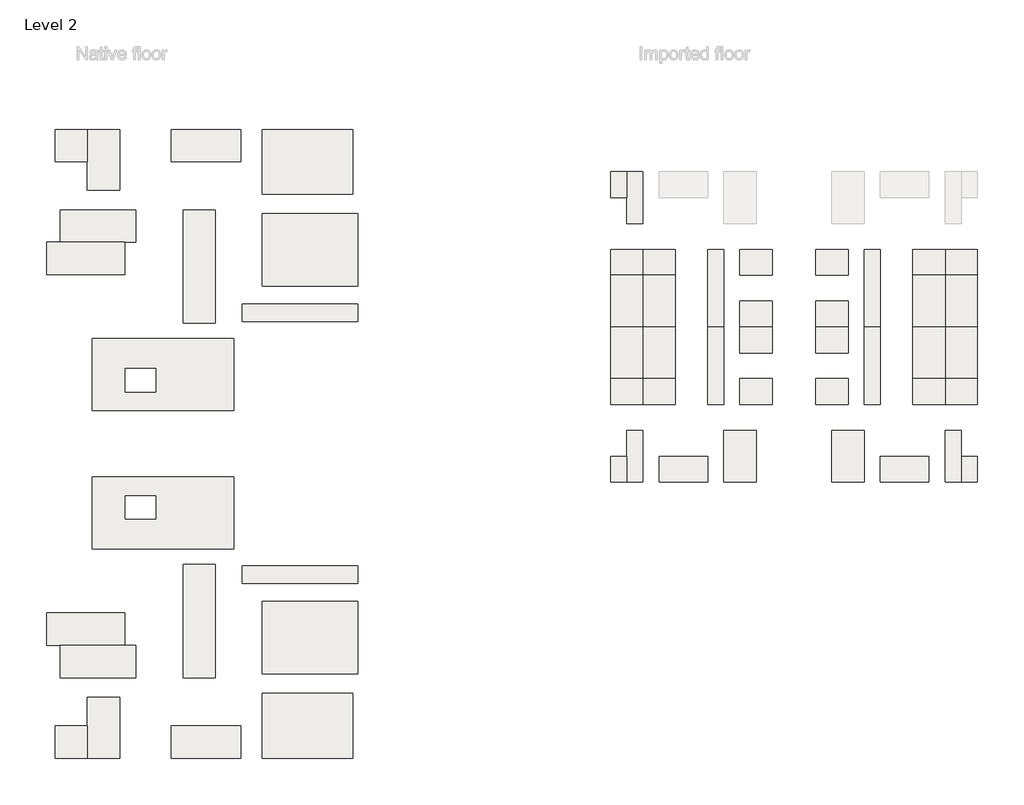
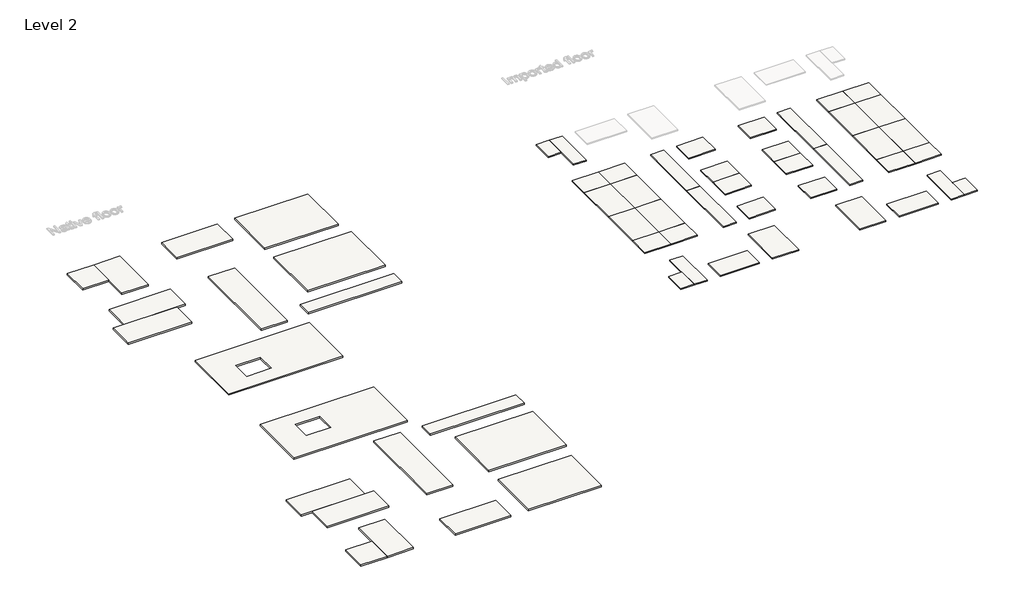
# One storey, part 1 of 3: 58 slabs.
"""IFC4 building model written with IfcOpenShell, lengths in millimetres."""

from ifc_helpers import new_model, si_unit, frame, origin, place, context, project, spatial, polyline, outline, extrude, faceted_brep, element, save

model = new_model("IFC4")

# Units and contexts
model_context = context("Model", 3, world=origin())
ifc_project = project(units=[si_unit("LENGTHUNIT", "METRE", prefix="MILLI")], contexts=[model_context])

# Site, building, storey
site = spatial("IfcSite", under=ifc_project)
building = spatial("IfcBuilding", under=site)
storey = spatial("IfcBuildingStorey", under=building, Name="Level 2", Elevation=3000.0)

# Slabs
placement = place(None, origin())
element("IfcSlab", 1, ObjectType="200mm Conc25 RC_SLAB", at=placement, inside=storey, context=model_context, shape_type="SweptSolid", body=[
    extrude(outline(polyline([(539421.9483934, 4611.8410567), (536921.9483934, 4611.8410567), (536921.9483934, 8611.8410567), (539421.9483934, 8611.8410567), (539421.9483934, 4611.8410567)])), frame((0.0, 0.0, 2800.0), z_axis=(0.0, 0.0, 1.0), x_axis=(1.0, 0.0, 0.0)), (0.0, 0.0, 1.0), 200.0),
])
element("IfcSlab", 2, ObjectType="200mm Conc25 RC_SLAB", at=placement, inside=storey, context=model_context, shape_type="Brep", body=[
    faceted_brep([(541921.9483934, 611.8410567, 2800.0), (539421.9483934, 611.8410567, 2800.0), (539421.9483934, 4611.8410567, 2800.0), (539421.9483934, 8611.8410567, 2800.0), (541921.9483934, 8611.8410567, 2800.0), (541921.9483934, 611.8410567, 3000.0), (541921.9483934, 8611.8410567, 3000.0), (539421.9483934, 8611.8410567, 3000.0), (539421.9483934, 4611.8410567, 3000.0), (539421.9483934, 611.8410567, 3000.0)], [[[0, 1, 2, 3, 4]], [[5, 6, 7, 8, 9]], [[1, 0, 5, 9]], [[3, 2, 1, 9, 8, 7]], [[4, 3, 7, 6]], [[0, 4, 6, 5]]]),
])
element("IfcSlab", 3, ObjectType="200mm Conc25 RC_SLAB", at=placement, inside=storey, context=model_context, shape_type="SweptSolid", body=[
    extrude(outline(polyline([(541921.9483934, -7388.1589433), (536921.9483934, -7388.1589433), (536921.9483934, -3388.1589433), (541921.9483934, -3388.1589433), (541921.9483934, -7388.1589433)])), frame((0.0, 0.0, 2800.0), z_axis=(0.0, 0.0, 1.0), x_axis=(1.0, 0.0, 0.0)), (0.0, 0.0, 1.0), 200.0),
])
element("IfcSlab", 4, ObjectType="200mm Conc25 RC_SLAB", at=placement, inside=storey, context=model_context, shape_type="SweptSolid", body=[
    extrude(outline(polyline([(546921.9483934, -7388.1589433), (541921.9483934, -7388.1589433), (541921.9483934, -3388.1589433), (546921.9483934, -3388.1589433), (546921.9483934, -7388.1589433)])), frame((0.0, 0.0, 2800.0), z_axis=(0.0, 0.0, 1.0), x_axis=(1.0, 0.0, 0.0)), (0.0, 0.0, 1.0), 200.0),
])
element("IfcSlab", 5, ObjectType="200mm Conc25 RC_SLAB", at=placement, inside=storey, context=model_context, shape_type="SweptSolid", body=[
    extrude(outline(polyline([(541921.9483934, -15388.1589433), (541921.9483934, -7388.1589433), (546921.9483934, -7388.1589433), (546921.9483934, -15388.1589433), (541921.9483934, -15388.1589433)])), frame((0.0, 0.0, 2800.0), z_axis=(0.0, 0.0, 1.0), x_axis=(1.0, 0.0, 0.0)), (0.0, 0.0, 1.0), 200.0),
])
element("IfcSlab", 6, ObjectType="200mm Conc25 RC_SLAB", at=placement, inside=storey, context=model_context, shape_type="SweptSolid", body=[
    extrude(outline(polyline([(541921.9483934, -15388.1589433), (536921.9483934, -15388.1589433), (536921.9483934, -7388.1589433), (541921.9483934, -7388.1589433), (541921.9483934, -15388.1589433)])), frame((0.0, 0.0, 2800.0), z_axis=(0.0, 0.0, 1.0), x_axis=(1.0, 0.0, 0.0)), (0.0, 0.0, 1.0), 200.0),
])
element("IfcSlab", 7, ObjectType="200mm Conc25 RC_SLAB", at=placement, inside=storey, context=model_context, shape_type="SweptSolid", body=[
    extrude(outline(polyline([(554421.9483934, -15388.1589433), (551921.9483934, -15388.1589433), (551921.9483934, -3388.1589433), (554421.9483934, -3388.1589433), (554421.9483934, -15388.1589433)])), frame((0.0, 0.0, 2800.0), z_axis=(0.0, 0.0, 1.0), x_axis=(1.0, 0.0, 0.0)), (0.0, 0.0, 1.0), 200.0),
])
element("IfcSlab", 8, ObjectType="200mm Conc25 RC_SLAB", at=placement, inside=storey, context=model_context, shape_type="SweptSolid", body=[
    extrude(outline(polyline([(561921.9483934, -7388.1589433), (556921.9483934, -7388.1589433), (556921.9483934, -3388.1589433), (561921.9483934, -3388.1589433), (561921.9483934, -7388.1589433)])), frame((0.0, 0.0, 2800.0), z_axis=(0.0, 0.0, 1.0), x_axis=(1.0, 0.0, 0.0)), (0.0, 0.0, 1.0), 200.0),
])
element("IfcSlab", 9, ObjectType="200mm Conc25 RC_SLAB", at=placement, inside=storey, context=model_context, shape_type="SweptSolid", body=[
    extrude(outline(polyline([(561921.9483934, -15388.1589433), (556921.9483934, -15388.1589433), (556921.9483934, -11388.1589433), (561921.9483934, -11388.1589433), (561921.9483934, -15388.1589433)])), frame((0.0, 0.0, 2800.0), z_axis=(0.0, 0.0, 1.0), x_axis=(1.0, 0.0, 0.0)), (0.0, 0.0, 1.0), 200.0),
])
element("IfcSlab", 10, ObjectType="200mm Conc25 RC_SLAB", at=placement, inside=storey, context=model_context, shape_type="SweptSolid", body=[
    extrude(outline(polyline([(588636.3880595, -7388.1589433), (588636.3880595, -3388.1589433), (593636.3880595, -3388.1589433), (593636.3880595, -7388.1589433), (588636.3880595, -7388.1589433)])), frame((0.0, 0.0, 2800.0), z_axis=(0.0, 0.0, 1.0), x_axis=(1.0, 0.0, 0.0)), (0.0, 0.0, 1.0), 200.0),
])
element("IfcSlab", 11, ObjectType="200mm Conc25 RC_SLAB", at=placement, inside=storey, context=model_context, shape_type="SweptSolid", body=[
    extrude(outline(polyline([(583636.3880595, -7388.1589433), (583636.3880595, -3388.1589433), (588636.3880595, -3388.1589433), (588636.3880595, -7388.1589433), (583636.3880595, -7388.1589433)])), frame((0.0, 0.0, 2800.0), z_axis=(0.0, 0.0, 1.0), x_axis=(1.0, 0.0, 0.0)), (0.0, 0.0, 1.0), 200.0),
])
element("IfcSlab", 12, ObjectType="200mm Conc25 RC_SLAB", at=placement, inside=storey, context=model_context, shape_type="SweptSolid", body=[
    extrude(outline(polyline([(588636.3880595, -15388.1589433), (583636.3880595, -15388.1589433), (583636.3880595, -7388.1589433), (588636.3880595, -7388.1589433), (588636.3880595, -15388.1589433)])), frame((0.0, 0.0, 2800.0), z_axis=(0.0, 0.0, 1.0), x_axis=(1.0, 0.0, 0.0)), (0.0, 0.0, 1.0), 200.0),
])
element("IfcSlab", 13, ObjectType="200mm Conc25 RC_SLAB", at=placement, inside=storey, context=model_context, shape_type="SweptSolid", body=[
    extrude(outline(polyline([(588636.3880595, -15388.1589433), (588636.3880595, -7388.1589433), (593636.3880595, -7388.1589433), (593636.3880595, -15388.1589433), (588636.3880595, -15388.1589433)])), frame((0.0, 0.0, 2800.0), z_axis=(0.0, 0.0, 1.0), x_axis=(1.0, 0.0, 0.0)), (0.0, 0.0, 1.0), 200.0),
])
element("IfcSlab", 14, ObjectType="200mm Conc25 RC_SLAB", at=placement, inside=storey, context=model_context, shape_type="SweptSolid", body=[
    extrude(outline(polyline([(576136.3880595, -15388.1589433), (576136.3880595, -3388.1589433), (578636.3880595, -3388.1589433), (578636.3880595, -15388.1589433), (576136.3880595, -15388.1589433)])), frame((0.0, 0.0, 2800.0), z_axis=(0.0, 0.0, 1.0), x_axis=(1.0, 0.0, 0.0)), (0.0, 0.0, 1.0), 200.0),
])
element("IfcSlab", 15, ObjectType="200mm Conc25 RC_SLAB", at=placement, inside=storey, context=model_context, shape_type="SweptSolid", body=[
    extrude(outline(polyline([(568636.3880595, -7388.1589433), (568636.3880595, -3388.1589433), (573636.3880595, -3388.1589433), (573636.3880595, -7388.1589433), (568636.3880595, -7388.1589433)])), frame((0.0, 0.0, 2800.0), z_axis=(0.0, 0.0, 1.0), x_axis=(1.0, 0.0, 0.0)), (0.0, 0.0, 1.0), 200.0),
])
element("IfcSlab", 16, ObjectType="200mm Conc25 RC_SLAB", at=placement, inside=storey, context=model_context, shape_type="SweptSolid", body=[
    extrude(outline(polyline([(568636.3880595, -15388.1589433), (568636.3880595, -11388.1589433), (573636.3880595, -11388.1589433), (573636.3880595, -15388.1589433), (568636.3880595, -15388.1589433)])), frame((0.0, 0.0, 2800.0), z_axis=(0.0, 0.0, 1.0), x_axis=(1.0, 0.0, 0.0)), (0.0, 0.0, 1.0), 200.0),
])
element("IfcSlab", 17, ObjectType="200mm Conc25 RC_SLAB", at=placement, inside=storey, context=model_context, shape_type="SweptSolid", body=[
    extrude(outline(polyline([(539421.9483934, -35388.1589433), (539421.9483934, -39388.1589433), (536921.9483934, -39388.1589433), (536921.9483934, -35388.1589433), (539421.9483934, -35388.1589433)])), frame((0.0, 0.0, 2800.0), z_axis=(0.0, 0.0, 1.0), x_axis=(1.0, 0.0, 0.0)), (0.0, 0.0, 1.0), 200.0),
])
element("IfcSlab", 18, ObjectType="200mm Conc25 RC_SLAB", at=placement, inside=storey, context=model_context, shape_type="Brep", body=[
    faceted_brep([(541921.9483934, -31388.1589433, 2800.0), (541921.9483934, -39388.1589433, 2800.0), (539421.9483934, -39388.1589433, 2800.0), (539421.9483934, -35388.1589433, 2800.0), (539421.9483934, -31388.1589433, 2800.0), (541921.9483934, -31388.1589433, 3000.0), (539421.9483934, -31388.1589433, 3000.0), (539421.9483934, -35388.1589433, 3000.0), (539421.9483934, -39388.1589433, 3000.0), (541921.9483934, -39388.1589433, 3000.0)], [[[0, 1, 2, 3, 4]], [[5, 6, 7, 8, 9]], [[0, 4, 6, 5]], [[4, 3, 2, 8, 7, 6]], [[2, 1, 9, 8]], [[1, 0, 5, 9]]]),
])
element("IfcSlab", 19, ObjectType="200mm Conc25 RC_SLAB", at=placement, inside=storey, context=model_context, shape_type="SweptSolid", body=[
    extrude(outline(polyline([(551921.9483934, -35388.1589433), (551921.9483934, -39388.1589433), (544421.9483934, -39388.1589433), (544421.9483934, -35388.1589433), (551921.9483934, -35388.1589433)])), frame((0.0, 0.0, 2800.0), z_axis=(0.0, 0.0, 1.0), x_axis=(1.0, 0.0, 0.0)), (0.0, 0.0, 1.0), 200.0),
])
element("IfcSlab", 20, ObjectType="200mm Conc25 RC_SLAB", at=placement, inside=storey, context=model_context, shape_type="SweptSolid", body=[
    extrude(outline(polyline([(554421.9483934, -31388.1589433), (559421.9483934, -31388.1589433), (559421.9483934, -39388.1589433), (554421.9483934, -39388.1589433), (554421.9483934, -31388.1589433)])), frame((0.0, 0.0, 2800.0), z_axis=(0.0, 0.0, 1.0), x_axis=(1.0, 0.0, 0.0)), (0.0, 0.0, 1.0), 200.0),
])
element("IfcSlab", 21, ObjectType="200mm Conc25 RC_SLAB", at=placement, inside=storey, context=model_context, shape_type="SweptSolid", body=[
    extrude(outline(polyline([(541921.9483934, -23388.1589433), (541921.9483934, -27388.1589433), (536921.9483934, -27388.1589433), (536921.9483934, -23388.1589433), (541921.9483934, -23388.1589433)])), frame((0.0, 0.0, 2800.0), z_axis=(0.0, 0.0, 1.0), x_axis=(1.0, 0.0, 0.0)), (0.0, 0.0, 1.0), 200.0),
])
element("IfcSlab", 22, ObjectType="200mm Conc25 RC_SLAB", at=placement, inside=storey, context=model_context, shape_type="SweptSolid", body=[
    extrude(outline(polyline([(546921.9483934, -23388.1589433), (546921.9483934, -27388.1589433), (541921.9483934, -27388.1589433), (541921.9483934, -23388.1589433), (546921.9483934, -23388.1589433)])), frame((0.0, 0.0, 2800.0), z_axis=(0.0, 0.0, 1.0), x_axis=(1.0, 0.0, 0.0)), (0.0, 0.0, 1.0), 200.0),
])
element("IfcSlab", 23, ObjectType="200mm Conc25 RC_SLAB", at=placement, inside=storey, context=model_context, shape_type="SweptSolid", body=[
    extrude(outline(polyline([(541921.9483934, -15388.1589433), (546921.9483934, -15388.1589433), (546921.9483934, -23388.1589433), (541921.9483934, -23388.1589433), (541921.9483934, -15388.1589433)])), frame((0.0, 0.0, 2800.0), z_axis=(0.0, 0.0, 1.0), x_axis=(1.0, 0.0, 0.0)), (0.0, 0.0, 1.0), 200.0),
])
element("IfcSlab", 24, ObjectType="200mm Conc25 RC_SLAB", at=placement, inside=storey, context=model_context, shape_type="SweptSolid", body=[
    extrude(outline(polyline([(541921.9483934, -15388.1589433), (541921.9483934, -23388.1589433), (536921.9483934, -23388.1589433), (536921.9483934, -15388.1589433), (541921.9483934, -15388.1589433)])), frame((0.0, 0.0, 2800.0), z_axis=(0.0, 0.0, 1.0), x_axis=(1.0, 0.0, 0.0)), (0.0, 0.0, 1.0), 200.0),
])
element("IfcSlab", 25, ObjectType="200mm Conc25 RC_SLAB", at=placement, inside=storey, context=model_context, shape_type="SweptSolid", body=[
    extrude(outline(polyline([(554421.9483934, -15388.1589433), (554421.9483934, -27388.1589433), (551921.9483934, -27388.1589433), (551921.9483934, -15388.1589433), (554421.9483934, -15388.1589433)])), frame((0.0, 0.0, 2800.0), z_axis=(0.0, 0.0, 1.0), x_axis=(1.0, 0.0, 0.0)), (0.0, 0.0, 1.0), 200.0),
])
element("IfcSlab", 26, ObjectType="200mm Conc25 RC_SLAB", at=placement, inside=storey, context=model_context, shape_type="SweptSolid", body=[
    extrude(outline(polyline([(561921.9483934, -23388.1589433), (561921.9483934, -27388.1589433), (556921.9483934, -27388.1589433), (556921.9483934, -23388.1589433), (561921.9483934, -23388.1589433)])), frame((0.0, 0.0, 2800.0), z_axis=(0.0, 0.0, 1.0), x_axis=(1.0, 0.0, 0.0)), (0.0, 0.0, 1.0), 200.0),
])
element("IfcSlab", 27, ObjectType="200mm Conc25 RC_SLAB", at=placement, inside=storey, context=model_context, shape_type="SweptSolid", body=[
    extrude(outline(polyline([(561921.9483934, -15388.1589433), (561921.9483934, -19388.1589433), (556921.9483934, -19388.1589433), (556921.9483934, -15388.1589433), (561921.9483934, -15388.1589433)])), frame((0.0, 0.0, 2800.0), z_axis=(0.0, 0.0, 1.0), x_axis=(1.0, 0.0, 0.0)), (0.0, 0.0, 1.0), 200.0),
])
element("IfcSlab", 28, ObjectType="200mm Conc25 RC_SLAB", at=placement, inside=storey, context=model_context, shape_type="SweptSolid", body=[
    extrude(outline(polyline([(591136.3880595, -35388.1589433), (593636.3880595, -35388.1589433), (593636.3880595, -39388.1589433), (591136.3880595, -39388.1589433), (591136.3880595, -35388.1589433)])), frame((0.0, 0.0, 2800.0), z_axis=(0.0, 0.0, 1.0), x_axis=(1.0, 0.0, 0.0)), (0.0, 0.0, 1.0), 200.0),
])
element("IfcSlab", 29, ObjectType="200mm Conc25 RC_SLAB", at=placement, inside=storey, context=model_context, shape_type="Brep", body=[
    faceted_brep([(588636.3880595, -31388.1589433, 2800.0), (591136.3880595, -31388.1589433, 2800.0), (591136.3880595, -35388.1589433, 2800.0), (591136.3880595, -39388.1589433, 2800.0), (588636.3880595, -39388.1589433, 2800.0), (588636.3880595, -31388.1589433, 3000.0), (588636.3880595, -39388.1589433, 3000.0), (591136.3880595, -39388.1589433, 3000.0), (591136.3880595, -35388.1589433, 3000.0), (591136.3880595, -31388.1589433, 3000.0)], [[[0, 1, 2, 3, 4]], [[5, 6, 7, 8, 9]], [[1, 0, 5, 9]], [[3, 2, 1, 9, 8, 7]], [[4, 3, 7, 6]], [[0, 4, 6, 5]]]),
])
element("IfcSlab", 30, ObjectType="200mm Conc25 RC_SLAB", at=placement, inside=storey, context=model_context, shape_type="SweptSolid", body=[
    extrude(outline(polyline([(578636.3880595, -35388.1589433), (586136.3880595, -35388.1589433), (586136.3880595, -39388.1589433), (578636.3880595, -39388.1589433), (578636.3880595, -35388.1589433)])), frame((0.0, 0.0, 2800.0), z_axis=(0.0, 0.0, 1.0), x_axis=(1.0, 0.0, 0.0)), (0.0, 0.0, 1.0), 200.0),
])
element("IfcSlab", 31, ObjectType="200mm Conc25 RC_SLAB", at=placement, inside=storey, context=model_context, shape_type="SweptSolid", body=[
    extrude(outline(polyline([(576136.3880595, -31388.1589433), (576136.3880595, -39388.1589433), (571136.3880595, -39388.1589433), (571136.3880595, -31388.1589433), (576136.3880595, -31388.1589433)])), frame((0.0, 0.0, 2800.0), z_axis=(0.0, 0.0, 1.0), x_axis=(1.0, 0.0, 0.0)), (0.0, 0.0, 1.0), 200.0),
])
element("IfcSlab", 32, ObjectType="200mm Conc25 RC_SLAB", at=placement, inside=storey, context=model_context, shape_type="SweptSolid", body=[
    extrude(outline(polyline([(588636.3880595, -23388.1589433), (593636.3880595, -23388.1589433), (593636.3880595, -27388.1589433), (588636.3880595, -27388.1589433), (588636.3880595, -23388.1589433)])), frame((0.0, 0.0, 2800.0), z_axis=(0.0, 0.0, 1.0), x_axis=(1.0, 0.0, 0.0)), (0.0, 0.0, 1.0), 200.0),
])
element("IfcSlab", 33, ObjectType="200mm Conc25 RC_SLAB", at=placement, inside=storey, context=model_context, shape_type="SweptSolid", body=[
    extrude(outline(polyline([(583636.3880595, -23388.1589433), (588636.3880595, -23388.1589433), (588636.3880595, -27388.1589433), (583636.3880595, -27388.1589433), (583636.3880595, -23388.1589433)])), frame((0.0, 0.0, 2800.0), z_axis=(0.0, 0.0, 1.0), x_axis=(1.0, 0.0, 0.0)), (0.0, 0.0, 1.0), 200.0),
])
element("IfcSlab", 34, ObjectType="200mm Conc25 RC_SLAB", at=placement, inside=storey, context=model_context, shape_type="SweptSolid", body=[
    extrude(outline(polyline([(588636.3880595, -15388.1589433), (588636.3880595, -23388.1589433), (583636.3880595, -23388.1589433), (583636.3880595, -15388.1589433), (588636.3880595, -15388.1589433)])), frame((0.0, 0.0, 2800.0), z_axis=(0.0, 0.0, 1.0), x_axis=(1.0, 0.0, 0.0)), (0.0, 0.0, 1.0), 200.0),
])
element("IfcSlab", 35, ObjectType="200mm Conc25 RC_SLAB", at=placement, inside=storey, context=model_context, shape_type="SweptSolid", body=[
    extrude(outline(polyline([(588636.3880595, -15388.1589433), (593636.3880595, -15388.1589433), (593636.3880595, -23388.1589433), (588636.3880595, -23388.1589433), (588636.3880595, -15388.1589433)])), frame((0.0, 0.0, 2800.0), z_axis=(0.0, 0.0, 1.0), x_axis=(1.0, 0.0, 0.0)), (0.0, 0.0, 1.0), 200.0),
])
element("IfcSlab", 36, ObjectType="200mm Conc25 RC_SLAB", at=placement, inside=storey, context=model_context, shape_type="SweptSolid", body=[
    extrude(outline(polyline([(576136.3880595, -15388.1589433), (578636.3880595, -15388.1589433), (578636.3880595, -27388.1589433), (576136.3880595, -27388.1589433), (576136.3880595, -15388.1589433)])), frame((0.0, 0.0, 2800.0), z_axis=(0.0, 0.0, 1.0), x_axis=(1.0, 0.0, 0.0)), (0.0, 0.0, 1.0), 200.0),
])
element("IfcSlab", 37, ObjectType="200mm Conc25 RC_SLAB", at=placement, inside=storey, context=model_context, shape_type="SweptSolid", body=[
    extrude(outline(polyline([(568636.3880595, -23388.1589433), (573636.3880595, -23388.1589433), (573636.3880595, -27388.1589433), (568636.3880595, -27388.1589433), (568636.3880595, -23388.1589433)])), frame((0.0, 0.0, 2800.0), z_axis=(0.0, 0.0, 1.0), x_axis=(1.0, 0.0, 0.0)), (0.0, 0.0, 1.0), 200.0),
])
element("IfcSlab", 38, ObjectType="200mm Conc25 RC_SLAB", at=placement, inside=storey, context=model_context, shape_type="SweptSolid", body=[
    extrude(outline(polyline([(568636.3880595, -15388.1589433), (573636.3880595, -15388.1589433), (573636.3880595, -19388.1589433), (568636.3880595, -19388.1589433), (568636.3880595, -15388.1589433)])), frame((0.0, 0.0, 2800.0), z_axis=(0.0, 0.0, 1.0), x_axis=(1.0, 0.0, 0.0)), (0.0, 0.0, 1.0), 200.0),
])
element("IfcSlab", 39, ObjectType="Generic 300mm", at=placement, inside=storey, context=model_context, shape_type="SweptSolid", body=[
    extrude(outline(polyline([(456066.413896, 15157.1407509), (456066.413896, 10157.1407509), (451066.413896, 10157.1407509), (451066.413896, 15157.1407509), (456066.413896, 15157.1407509)])), frame((0.0, 0.0, 2700.0), z_axis=(0.0, 0.0, 1.0), x_axis=(1.0, 0.0, 0.0)), (0.0, 0.0, 1.0), 300.0),
])
element("IfcSlab", 40, ObjectType="Generic 300mm", at=placement, inside=storey, context=model_context, shape_type="SweptSolid", body=[
    extrude(outline(polyline([(461066.413896, 15157.1407509), (461066.413896, 5757.1407509), (456066.413896, 5757.1407509), (456066.413896, 15157.1407509), (461066.413896, 15157.1407509)])), frame((0.0, 0.0, 2700.0), z_axis=(0.0, 0.0, 1.0), x_axis=(1.0, 0.0, 0.0)), (0.0, 0.0, 1.0), 300.0),
])
element("IfcSlab", 41, ObjectType="Generic 300mm", at=placement, inside=storey, context=model_context, shape_type="SweptSolid", body=[
    extrude(outline(polyline([(479766.413896, 15157.1407509), (479766.413896, 10157.1407509), (469066.413896, 10157.1407509), (469066.413896, 15157.1407509), (479766.413896, 15157.1407509)])), frame((0.0, 0.0, 2700.0), z_axis=(0.0, 0.0, 1.0), x_axis=(1.0, 0.0, 0.0)), (0.0, 0.0, 1.0), 300.0),
])
element("IfcSlab", 42, ObjectType="Generic 300mm", at=placement, inside=storey, context=model_context, shape_type="SweptSolid", body=[
    extrude(outline(polyline([(497066.413896, 15157.1407509), (497066.413896, 5157.1407509), (483066.413896, 5157.1407509), (483066.413896, 15157.1407509), (497066.413896, 15157.1407509)])), frame((0.0, 0.0, 2700.0), z_axis=(0.0, 0.0, 1.0), x_axis=(1.0, 0.0, 0.0)), (0.0, 0.0, 1.0), 300.0),
])
element("IfcSlab", 43, ObjectType="Generic 300mm", at=placement, inside=storey, context=model_context, shape_type="SweptSolid", body=[
    extrude(outline(polyline([(497866.413896, 2157.1407509), (497866.413896, -9042.8592491), (483066.413896, -9042.8592491), (483066.413896, 2157.1407509), (497866.413896, 2157.1407509)])), frame((0.0, 0.0, 2700.0), z_axis=(0.0, 0.0, 1.0), x_axis=(1.0, 0.0, 0.0)), (0.0, 0.0, 1.0), 300.0),
])
element("IfcSlab", 44, ObjectType="Generic 300mm", at=placement, inside=storey, context=model_context, shape_type="SweptSolid", body=[
    extrude(outline(polyline([(497866.413896, -11842.8592491), (497866.413896, -14542.8592491), (479966.413896, -14542.8592491), (479966.413896, -11842.8592491), (497866.413896, -11842.8592491)])), frame((0.0, 0.0, 2700.0), z_axis=(0.0, 0.0, 1.0), x_axis=(1.0, 0.0, 0.0)), (0.0, 0.0, 1.0), 300.0),
])
element("IfcSlab", 45, ObjectType="Generic 300mm", at=placement, inside=storey, context=model_context, shape_type="SweptSolid", body=[
    extrude(outline(polyline([(475853.4493119, 2711.9851702), (475853.4493119, -14788.0148298), (470853.4493119, -14788.0148298), (470853.4493119, 2711.9851702), (475853.4493119, 2711.9851702)])), frame((0.0, 0.0, 2700.0), z_axis=(0.0, 0.0, 1.0), x_axis=(1.0, 0.0, 0.0)), (0.0, 0.0, 1.0), 300.0),
])
element("IfcSlab", 46, ObjectType="Generic 300mm", at=placement, inside=storey, context=model_context, shape_type="SweptSolid", body=[
    extrude(outline(polyline([(463553.4493119, 2711.9851702), (463553.4493119, -2288.0148298), (451853.4493119, -2288.0148298), (451853.4493119, 2711.9851702), (463553.4493119, 2711.9851702)])), frame((0.0, 0.0, 2700.0), z_axis=(0.0, 0.0, 1.0), x_axis=(1.0, 0.0, 0.0)), (0.0, 0.0, 1.0), 300.0),
])
element("IfcSlab", 47, ObjectType="Generic 300mm", at=placement, inside=storey, context=model_context, shape_type="SweptSolid", body=[
    extrude(outline(polyline([(461853.4493119, -2288.0148298), (461853.4493119, -7288.0148298), (449753.4493119, -7288.0148298), (449753.4493119, -2288.0148298), (461853.4493119, -2288.0148298)])), frame((0.0, 0.0, 2700.0), z_axis=(0.0, 0.0, 1.0), x_axis=(1.0, 0.0, 0.0)), (0.0, 0.0, 1.0), 300.0),
])
element("IfcSlab", 48, ObjectType="Generic 300mm", at=placement, inside=storey, context=model_context, shape_type="SweptSolid", body=[
    extrude(outline(polyline([(478653.4493119, -17188.0148298), (478653.4493119, -28288.0148298), (456853.4493119, -28288.0148298), (456853.4493119, -17188.0148298), (478653.4493119, -17188.0148298)]), holes=[polyline([(466615.6395933, -21809.7778349), (461915.6395933, -21809.7778349), (461915.6395933, -25409.7778349), (466615.6395933, -25409.7778349), (466615.6395933, -21809.7778349)])]), frame((0.0, 0.0, 2700.0), z_axis=(0.0, 0.0, 1.0), x_axis=(1.0, 0.0, 0.0)), (0.0, 0.0, 1.0), 300.0),
])
element("IfcSlab", 49, ObjectType="Generic 300mm", at=placement, inside=storey, context=model_context, shape_type="SweptSolid", body=[
    extrude(outline(polyline([(456066.413896, -82061.3486343), (451066.413896, -82061.3486343), (451066.413896, -77061.3486343), (456066.413896, -77061.3486343), (456066.413896, -82061.3486343)])), frame((0.0, 0.0, 2700.0), z_axis=(0.0, 0.0, 1.0), x_axis=(1.0, 0.0, 0.0)), (0.0, 0.0, 1.0), 300.0),
])
element("IfcSlab", 50, ObjectType="Generic 300mm", at=placement, inside=storey, context=model_context, shape_type="SweptSolid", body=[
    extrude(outline(polyline([(461066.413896, -82061.3486343), (456066.413896, -82061.3486343), (456066.413896, -72661.3486343), (461066.413896, -72661.3486343), (461066.413896, -82061.3486343)])), frame((0.0, 0.0, 2700.0), z_axis=(0.0, 0.0, 1.0), x_axis=(1.0, 0.0, 0.0)), (0.0, 0.0, 1.0), 300.0),
])
element("IfcSlab", 51, ObjectType="Generic 300mm", at=placement, inside=storey, context=model_context, shape_type="SweptSolid", body=[
    extrude(outline(polyline([(479766.413896, -82061.3486343), (469066.413896, -82061.3486343), (469066.413896, -77061.3486343), (479766.413896, -77061.3486343), (479766.413896, -82061.3486343)])), frame((0.0, 0.0, 2700.0), z_axis=(0.0, 0.0, 1.0), x_axis=(1.0, 0.0, 0.0)), (0.0, 0.0, 1.0), 300.0),
])
element("IfcSlab", 52, ObjectType="Generic 300mm", at=placement, inside=storey, context=model_context, shape_type="SweptSolid", body=[
    extrude(outline(polyline([(497066.413896, -82061.3486343), (483066.413896, -82061.3486343), (483066.413896, -72061.3486343), (497066.413896, -72061.3486343), (497066.413896, -82061.3486343)])), frame((0.0, 0.0, 2700.0), z_axis=(0.0, 0.0, 1.0), x_axis=(1.0, 0.0, 0.0)), (0.0, 0.0, 1.0), 300.0),
])
element("IfcSlab", 53, ObjectType="Generic 300mm", at=placement, inside=storey, context=model_context, shape_type="SweptSolid", body=[
    extrude(outline(polyline([(497866.413896, -69061.3486343), (483066.413896, -69061.3486343), (483066.413896, -57861.3486343), (497866.413896, -57861.3486343), (497866.413896, -69061.3486343)])), frame((0.0, 0.0, 2700.0), z_axis=(0.0, 0.0, 1.0), x_axis=(1.0, 0.0, 0.0)), (0.0, 0.0, 1.0), 300.0),
])
element("IfcSlab", 54, ObjectType="Generic 300mm", at=placement, inside=storey, context=model_context, shape_type="SweptSolid", body=[
    extrude(outline(polyline([(497866.413896, -55061.3486343), (479966.413896, -55061.3486343), (479966.413896, -52361.3486343), (497866.413896, -52361.3486343), (497866.413896, -55061.3486343)])), frame((0.0, 0.0, 2700.0), z_axis=(0.0, 0.0, 1.0), x_axis=(1.0, 0.0, 0.0)), (0.0, 0.0, 1.0), 300.0),
])
element("IfcSlab", 55, ObjectType="Generic 300mm", at=placement, inside=storey, context=model_context, shape_type="SweptSolid", body=[
    extrude(outline(polyline([(475853.4493119, -69616.1930535), (470853.4493119, -69616.1930535), (470853.4493119, -52116.1930535), (475853.4493119, -52116.1930535), (475853.4493119, -69616.1930535)])), frame((0.0, 0.0, 2700.0), z_axis=(0.0, 0.0, 1.0), x_axis=(1.0, 0.0, 0.0)), (0.0, 0.0, 1.0), 300.0),
])
element("IfcSlab", 56, ObjectType="Generic 300mm", at=placement, inside=storey, context=model_context, shape_type="SweptSolid", body=[
    extrude(outline(polyline([(463553.4493119, -69616.1930535), (451853.4493119, -69616.1930535), (451853.4493119, -64616.1930535), (463553.4493119, -64616.1930535), (463553.4493119, -69616.1930535)])), frame((0.0, 0.0, 2700.0), z_axis=(0.0, 0.0, 1.0), x_axis=(1.0, 0.0, 0.0)), (0.0, 0.0, 1.0), 300.0),
])
element("IfcSlab", 57, ObjectType="Generic 300mm", at=placement, inside=storey, context=model_context, shape_type="SweptSolid", body=[
    extrude(outline(polyline([(461853.4493119, -64616.1930535), (449753.4493119, -64616.1930535), (449753.4493119, -59616.1930535), (461853.4493119, -59616.1930535), (461853.4493119, -64616.1930535)])), frame((0.0, 0.0, 2700.0), z_axis=(0.0, 0.0, 1.0), x_axis=(1.0, 0.0, 0.0)), (0.0, 0.0, 1.0), 300.0),
])
element("IfcSlab", 58, ObjectType="Generic 300mm", at=placement, inside=storey, context=model_context, shape_type="SweptSolid", body=[
    extrude(outline(polyline([(478653.4493119, -49716.1930535), (456853.4493119, -49716.1930535), (456853.4493119, -38616.1930535), (478653.4493119, -38616.1930535), (478653.4493119, -49716.1930535)]), holes=[polyline([(466615.6395933, -45094.4300484), (466615.6395933, -41494.4300484), (461915.6395933, -41494.4300484), (461915.6395933, -45094.4300484), (466615.6395933, -45094.4300484)])]), frame((0.0, 0.0, 2700.0), z_axis=(0.0, 0.0, 1.0), x_axis=(1.0, 0.0, 0.0)), (0.0, 0.0, 1.0), 300.0),
])

save(model, "model.ifc")
